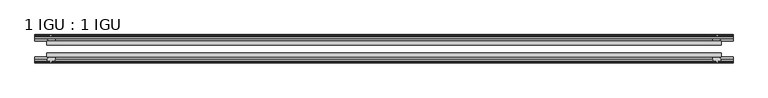
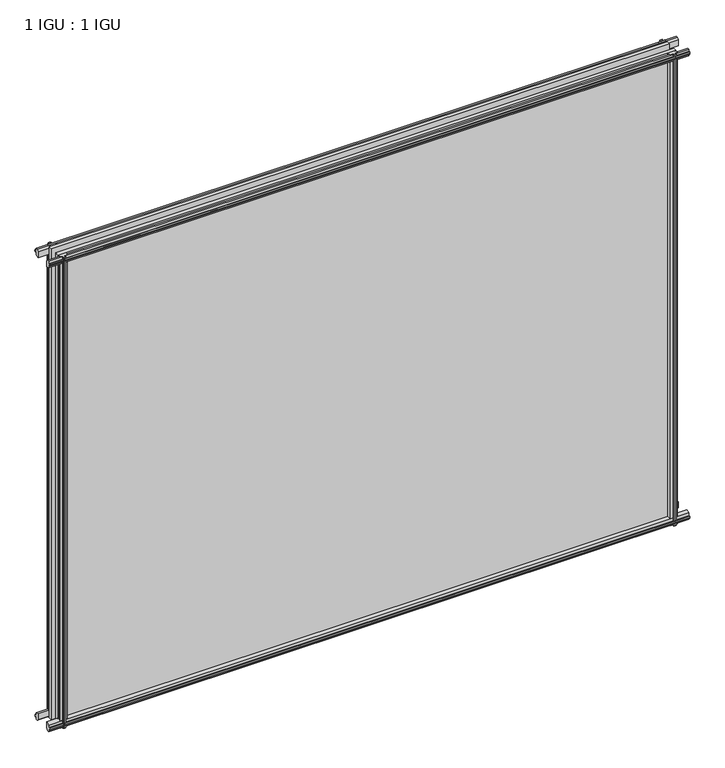
"""IFC4 building model written with IfcOpenShell, lengths in millimetres: plate geometry, 1 IGU : 1 IGU."""

from ifc_helpers import new_model, si_unit, frame, origin, place, context, project, spatial, polyline, outline, extrude, source, transform, mapped, element, save


def plate_1_igu_1_igu_6e6013e4(model_context):
    return source(origin(), model_context, "Body", "SweptSolid", [
        extrude(outline(polyline([(-536.1167269, -38.6468937), (536.1167269, -38.6468937), (536.1167269, -44.9460938), (-536.1167269, -44.9460938), (-536.1167269, -38.6468937)])), frame((0.0, 0.0, -12.7), z_axis=(0.0, 0.0, 1.0), x_axis=(1.0, 0.0, 0.0)), (0.0, 0.0, 1.0), 863.5872996),
        extrude(outline(polyline([(-536.1167269, -19.5460937), (536.1167269, -19.5460937), (536.1167269, -25.8960938), (-536.1167269, -25.8960938), (-536.1167269, -19.5460937)])), frame((0.0, 0.0, -12.7), z_axis=(0.0, 0.0, 1.0), x_axis=(1.0, 0.0, 0.0)), (0.0, 0.0, 1.0), 863.5872996),
        extrude(outline(polyline([(-44.9460937, 1.7177181), (-44.9460937, -9.1036578), (-48.3496937, -11.938), (-51.2960937, -11.938), (-51.2960937, -7.493), (-53.6762907, -7.112), (-53.2163575, -8.5275291), (-54.0175717, -8.5275291), (-54.7250937, -6.35), (-54.0175717, -4.1724709), (-53.2163575, -4.1724709), (-53.6762907, -5.588), (-51.2960937, -5.207), (-51.2960937, 0.0), (-44.9460937, 1.7177181)])), frame((-555.1667269, 0.0, 0.0), z_axis=(1.0, 0.0, 0.0), x_axis=(0.0, 1.0, 0.0)), (0.0, 0.0, 1.0), 1110.3334538),
        extrude(outline(polyline([(-13.1960937, -12.4587), (-16.1424937, -12.4587), (-19.5460937, -9.6243578), (-19.5460937, 1.1970181), (-13.1960937, -0.5207), (-13.1960937, -5.7277), (-10.8158968, -6.1087), (-11.27583, -4.6931709), (-10.4746158, -4.6931709), (-9.7670937, -6.8707), (-10.4746158, -9.0482291), (-11.27583, -9.0482291), (-10.8158968, -7.6327), (-13.1960937, -8.0137), (-13.1960937, -12.4587)])), frame((-555.1667269, 0.0, 0.0), z_axis=(1.0, 0.0, 0.0), x_axis=(0.0, 1.0, 0.0)), (0.0, 0.0, 1.0), 1110.3334538),
        extrude(outline(polyline([(-51.2960937, 850.1252996), (-48.3496937, 850.1252996), (-44.9460937, 847.2909574), (-44.9460937, 836.4695815), (-51.2960937, 838.1872996), (-51.2960937, 843.3942996), (-53.6762907, 843.7752996), (-53.2163575, 842.3597706), (-54.0175717, 842.3597706), (-54.7250937, 844.5372996), (-54.0175717, 846.7148287), (-53.2163575, 846.7148287), (-53.6762907, 845.2992996), (-51.2960937, 845.6802996), (-51.2960937, 850.1252996)])), frame((-555.1667269, 0.0, 0.0), z_axis=(1.0, 0.0, 0.0), x_axis=(0.0, 1.0, 0.0)), (0.0, 0.0, 1.0), 1110.3334538),
        extrude(outline(polyline([(-19.5460937, 836.9902815), (-19.5460937, 847.8116574), (-16.1424937, 850.6459996), (-13.1960937, 850.6459996), (-13.1960937, 846.2009996), (-10.8158968, 845.8199996), (-11.27583, 847.2355287), (-10.4746158, 847.2355287), (-9.7670937, 845.0579996), (-10.4746158, 842.8804706), (-11.27583, 842.8804706), (-10.8158968, 844.2959996), (-13.1960937, 843.9149996), (-13.1960937, 838.7079996), (-19.5460937, 836.9902815)])), frame((-555.1667269, 0.0, 0.0), z_axis=(1.0, 0.0, 0.0), x_axis=(0.0, 1.0, 0.0)), (0.0, 0.0, 1.0), 1110.3334538),
        extrude(outline(polyline([(522.2197088, -19.5460938), (523.9374269, -13.1960938), (529.1444269, -13.1960938), (529.5254269, -10.8158968), (528.1098978, -11.27583), (528.1098978, -10.4746158), (530.2874269, -9.7670938), (532.4649559, -10.4746158), (532.4649559, -11.27583), (531.0494269, -10.8158968), (531.4304269, -13.1960938), (535.8754269, -13.1960938), (535.8754269, -16.1424938), (533.0410847, -19.5460938), (522.2197088, -19.5460938)])), frame((0.0, 0.0, -12.7), z_axis=(0.0, 0.0, 1.0), x_axis=(1.0, 0.0, 0.0)), (0.0, 0.0, 1.0), 863.5872998),
        extrude(outline(polyline([(521.6990088, -44.9460938), (532.5203847, -44.9460938), (535.3547269, -48.3496938), (535.3547269, -51.2960938), (530.9097269, -51.2960938), (530.5287269, -53.6762907), (531.9442559, -53.2163575), (531.9442559, -54.0175717), (529.7667269, -54.7250938), (527.5891978, -54.0175717), (527.5891978, -53.2163575), (529.0047269, -53.6762907), (528.6237269, -51.2960938), (523.4167269, -51.2960938), (521.6990088, -44.9460938)])), frame((0.0, 0.0, -12.7), z_axis=(0.0, 0.0, 1.0), x_axis=(1.0, 0.0, 0.0)), (0.0, 0.0, 1.0), 863.5872998),
        extrude(outline(polyline([(-530.2874269, -9.7670937), (-528.1098978, -10.4746158), (-528.1098978, -11.27583), (-529.5254269, -10.8158968), (-529.1444269, -13.1960937), (-523.9374269, -13.1960937), (-522.2197088, -19.5460937), (-533.0410847, -19.5460937), (-535.8754269, -16.1424937), (-535.8754269, -13.1960937), (-531.4304269, -13.1960937), (-531.0494269, -10.8158968), (-532.4649559, -11.27583), (-532.4649559, -10.4746158), (-530.2874269, -9.7670937)])), frame((0.0, 0.0, -12.7), z_axis=(0.0, 0.0, 1.0), x_axis=(1.0, 0.0, 0.0)), (0.0, 0.0, 1.0), 863.5872998),
        extrude(outline(polyline([(-535.3547269, -48.3496937), (-532.5203847, -44.9460937), (-521.6990088, -44.9460937), (-523.4167269, -51.2960937), (-528.6237269, -51.2960937), (-529.0047269, -53.6762907), (-527.5891978, -53.2163575), (-527.5891978, -54.0175717), (-529.7667269, -54.7250937), (-531.9442559, -54.0175717), (-531.9442559, -53.2163575), (-530.5287269, -53.6762907), (-530.9097269, -51.2960937), (-535.3547269, -51.2960937), (-535.3547269, -48.3496937)])), frame((0.0, 0.0, -12.7), z_axis=(0.0, 0.0, 1.0), x_axis=(1.0, 0.0, 0.0)), (0.0, 0.0, 1.0), 863.5872998),
    ])


if __name__ == "__main__":
    model = new_model("IFC4")
    model_context = context("Model", 3, world=origin())
    ifc_project = project(units=[si_unit("LENGTHUNIT", "METRE", prefix="MILLI")], contexts=[model_context])
    site = spatial("IfcSite", under=ifc_project)
    building = spatial("IfcBuilding", under=site)
    placement = place(None, origin())
    plate_1_igu_1_igu_shape = plate_1_igu_1_igu_6e6013e4(model_context)
    element("IfcPlate", 1, ObjectType="1 IGU : 1 IGU", at=placement, inside=building, context=model_context, shape_type="MappedRepresentation", body=[
        mapped(plate_1_igu_1_igu_shape, transform((0.0, 0.0, 0.0), x_axis=(1.0, 0.0, 0.0), y_axis=(0.0, 1.0, 0.0), z_axis=(0.0, 0.0, 1.0))),
    ])
    save(model, "model.ifc")
